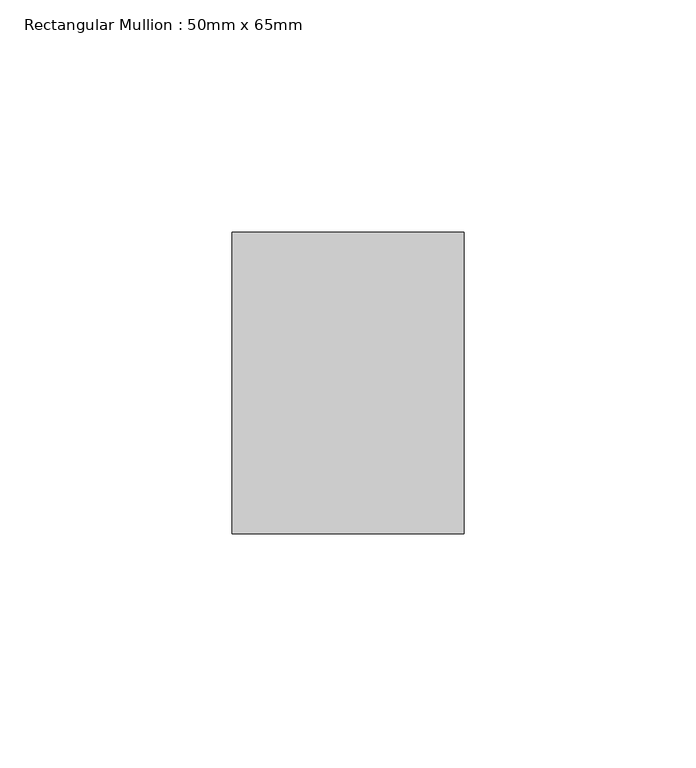
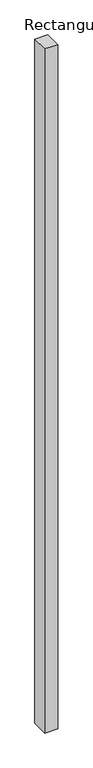
"""IFC4 building model written with IfcOpenShell, lengths in millimetres: member geometry, Rectangular Mullion : 50mm x 65mm."""

from ifc_helpers import new_model, si_unit, frame, origin, place, context, project, spatial, polyline, outline, extrude, source, transform, mapped, element, save


def rectangular_mullion_50mm_x_65mm_a5397d60(model_context):
    return source(origin(), model_context, "Body", "SweptSolid", [
        extrude(outline(polyline([(25.0, 32.5), (25.0, -32.5), (-25.0, -32.5), (-25.0, 32.5), (25.0, 32.5)])), frame((0.0, 0.0, -2773.8902781), z_axis=(0.0, 0.0, 1.0), x_axis=(1.0, 0.0, 0.0)), (0.0, 0.0, 1.0), 2773.8902781),
    ])


if __name__ == "__main__":
    model = new_model("IFC4")
    model_context = context("Model", 3, world=origin())
    ifc_project = project(units=[si_unit("LENGTHUNIT", "METRE", prefix="MILLI")], contexts=[model_context])
    site = spatial("IfcSite", under=ifc_project)
    building = spatial("IfcBuilding", under=site)
    placement = place(None, origin())
    rectangular_mullion_50mm_x_65mm_shape = rectangular_mullion_50mm_x_65mm_a5397d60(model_context)
    element("IfcMember", 1, ObjectType="Rectangular Mullion : 50mm x 65mm", at=placement, inside=building, context=model_context, shape_type="MappedRepresentation", body=[
        mapped(rectangular_mullion_50mm_x_65mm_shape, transform((0.0, 0.0, 0.0), x_axis=(1.0, 0.0, 0.0), y_axis=(0.0, 1.0, 0.0), z_axis=(0.0, 0.0, 1.0))),
    ])
    save(model, "model.ifc")
